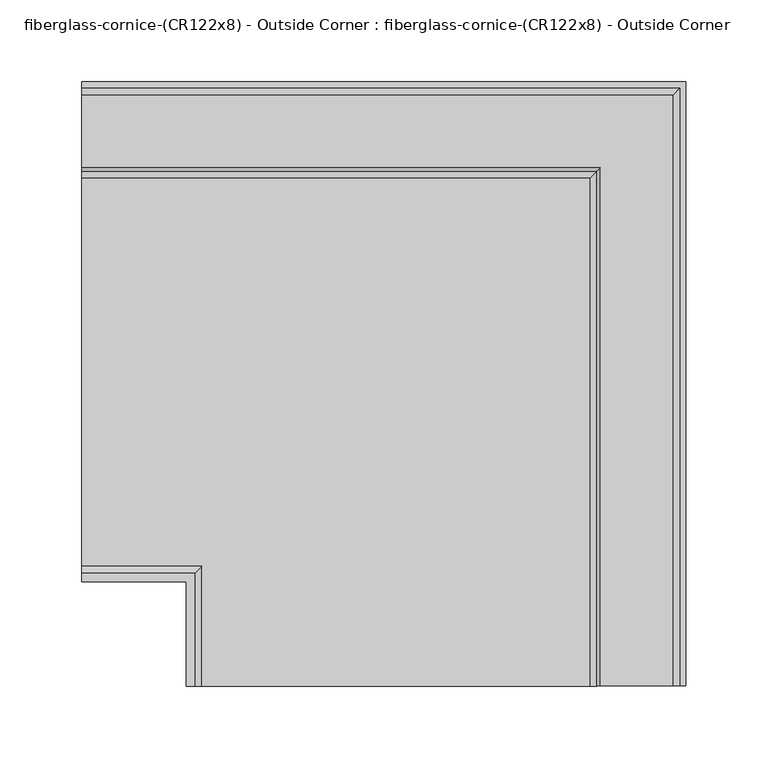
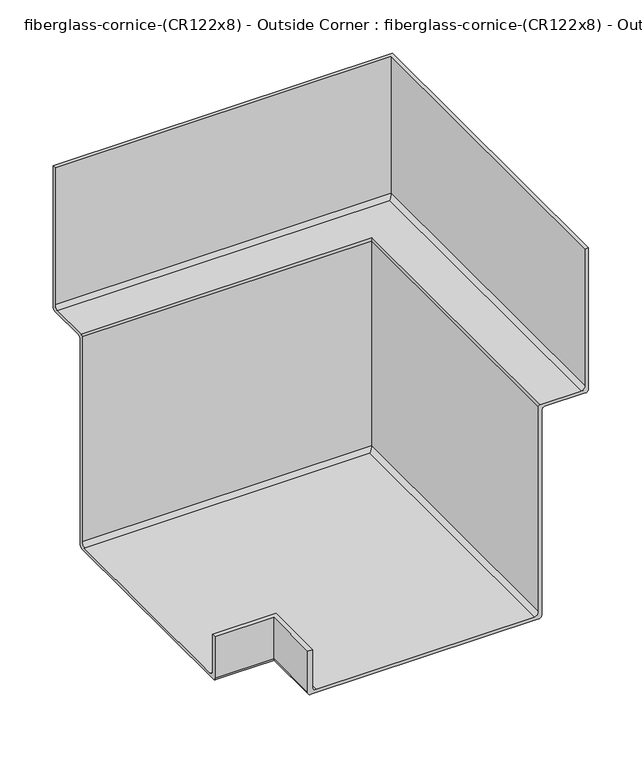
"""IFC4 building model written with IfcOpenShell, lengths in millimetres: furniture geometry, fiberglass-cornice-(CR122x8) - Outside Corner : fiberglass-cornice-(CR122x8) - Outside Corner."""

from ifc_helpers import new_model, si_unit, frame, origin, place, context, project, spatial, polyline, circle_curve, ellipse_curve, source, transform, mapped, element, save
from ifc_brep_helpers import plane_surface, cylinder_surface, revolved_surface, advanced_brep


def fiberglass_cornice_cr122x8_outside_corner_fiberglass_cornice_dbcce0a8(model_context):
    return source(origin(), model_context, "Body", "AdvancedBrep", [
        advanced_brep(
        [(-196.9488213, 402.9075, 330.1999904), (-196.9488213, 406.4, 330.1999904), (-196.9488213, 406.4, 168.2749904), (-196.9488213, 403.225, 165.0999904), (-196.9488213, 358.775, 165.0999904), (-196.9488213, 355.6, 161.9249904), (-196.9488213, 355.6, -73.0250096), (-196.9488213, 352.425, -76.2000096), (-196.9488213, 104.775, -76.2000096), (-196.9488213, 101.6, -73.0250096), (-196.9488213, 101.6, -25.4000096), (-196.9488213, 106.68, -25.4000096), (-196.9488213, 106.68, -68.2625096), (-196.9488213, 111.125, -72.7075096), (-196.9488213, 347.6625, -72.7075096), (-196.9488213, 352.1075, -68.2625096), (-196.9488213, 352.1075, 166.6874904), (-196.9488213, 354.0125, 168.5924904), (-196.9488213, 398.4625, 168.5924904), (-196.9488213, 402.9075, 173.0374904), (167.9578974, 38.0007813, 330.1999904), (167.9578974, 38.0007813, 173.0374904), (163.5128974, 38.0007813, 168.5924904), (119.0628974, 38.0007813, 168.5924904), (117.1578974, 38.0007813, 166.6874904), (117.1578974, 38.0007813, -68.2625096), (112.7128974, 38.0007813, -72.7075096), (-123.8246026, 38.0007813, -72.7075096), (-128.2696026, 38.0007813, -68.2625096), (-128.2696026, 38.0007813, -25.4000096), (-133.3496026, 38.0007813, -25.4000096), (-133.3496026, 38.0007813, -73.0250096), (-130.1746026, 38.0007813, -76.2000096), (117.4753974, 38.0007813, -76.2000096), (120.6503974, 38.0007813, -73.0250096), (120.6503974, 38.0007813, 161.9249904), (123.8253974, 38.0007813, 165.0999904), (168.2753974, 38.0007813, 165.0999904), (171.4503974, 38.0007813, 168.2749904), (171.4503974, 38.0007813, 330.1999904), (167.9578974, 402.9075, 330.1999904), (171.4503974, 406.4, 330.1999904), (171.4503974, 406.4, 168.2749904), (168.2753974, 403.225, 165.0999904), (123.8253974, 358.775, 165.0999904), (120.6503974, 355.6, 161.9249904), (120.6503974, 355.6, -73.0250096), (117.4753974, 352.425, -76.2000096), (-130.1746026, 104.775, -76.2000096), (-133.3496026, 101.6, -73.0250096), (-133.3496026, 101.6, -25.4000096), (-128.2696026, 106.68, -25.4000096), (-128.2696026, 106.68, -68.2625096), (-123.8246026, 111.125, -72.7075096), (112.7128974, 347.6625, -72.7075096), (117.1578974, 352.1075, -68.2625096), (117.1578974, 352.1075, 166.6874904), (119.0628974, 354.0125, 168.5924904), (163.5128974, 398.4625, 168.5924904), (167.9578974, 402.9075, 173.0374904)],
        [
            (0, 1),
            (1, 2),
            (2, 3, circle_curve(frame((-196.9488213, 403.225, 168.2749904), z_axis=(-1.0, 0.0, 0.0), x_axis=(0.0, 1.0, 0.0)), 3.175)),
            (3, 4),
            (4, 5, circle_curve(frame((-196.9488213, 358.775, 161.9249904), z_axis=(1.0, 0.0, 0.0), x_axis=(0.0, 1.0, 0.0)), 3.175)),
            (5, 6),
            (6, 7, circle_curve(frame((-196.9488213, 352.425, -73.0250096), z_axis=(-1.0, 0.0, 0.0), x_axis=(0.0, 1.0, 0.0)), 3.175)),
            (7, 8),
            (8, 9, circle_curve(frame((-196.9488213, 104.775, -73.0250096), z_axis=(-1.0, 0.0, 0.0), x_axis=(0.0, 1.0, 0.0)), 3.175)),
            (9, 10),
            (10, 11),
            (11, 12),
            (12, 13, circle_curve(frame((-196.9488213, 111.125, -68.2625096), z_axis=(1.0, 0.0, 0.0), x_axis=(0.0, 1.0, 0.0)), 4.445)),
            (13, 14),
            (14, 15, circle_curve(frame((-196.9488213, 347.6625, -68.2625096), z_axis=(1.0, 0.0, 0.0), x_axis=(0.0, 1.0, 0.0)), 4.445)),
            (15, 16),
            (16, 17, circle_curve(frame((-196.9488213, 354.0125, 166.6874904), z_axis=(-1.0, 0.0, 0.0), x_axis=(0.0, 1.0, 0.0)), 1.905)),
            (17, 18),
            (18, 19, circle_curve(frame((-196.9488213, 398.4625, 173.0374904), z_axis=(1.0, 0.0, 0.0), x_axis=(0.0, 1.0, 0.0)), 4.445)),
            (19, 0),
            (20, 21),
            (21, 22, circle_curve(frame((163.5128974, 38.0007813, 173.0374904), z_axis=(0.0, 1.0, 0.0), x_axis=(1.0, 0.0, 0.0)), 4.445)),
            (22, 23),
            (23, 24, circle_curve(frame((119.0628974, 38.0007813, 166.6874904), z_axis=(0.0, -1.0, 0.0), x_axis=(1.0, 0.0, 0.0)), 1.905)),
            (24, 25),
            (25, 26, circle_curve(frame((112.7128974, 38.0007813, -68.2625096), z_axis=(0.0, 1.0, 0.0), x_axis=(1.0, 0.0, 0.0)), 4.445)),
            (26, 27),
            (27, 28, circle_curve(frame((-123.8246026, 38.0007813, -68.2625096), z_axis=(0.0, 1.0, 0.0), x_axis=(1.0, 0.0, 0.0)), 4.445)),
            (28, 29),
            (29, 30),
            (30, 31),
            (31, 32, circle_curve(frame((-130.1746026, 38.0007813, -73.0250096), z_axis=(0.0, -1.0, 0.0), x_axis=(1.0, 0.0, 0.0)), 3.175)),
            (32, 33),
            (33, 34, circle_curve(frame((117.4753974, 38.0007813, -73.0250096), z_axis=(0.0, -1.0, 0.0), x_axis=(1.0, 0.0, 0.0)), 3.175)),
            (34, 35),
            (35, 36, circle_curve(frame((123.8253974, 38.0007813, 161.9249904), z_axis=(0.0, 1.0, 0.0), x_axis=(1.0, 0.0, 0.0)), 3.175)),
            (36, 37),
            (37, 38, circle_curve(frame((168.2753974, 38.0007813, 168.2749904), z_axis=(0.0, -1.0, 0.0), x_axis=(1.0, 0.0, 0.0)), 3.175)),
            (38, 39),
            (39, 20),
            (0, 40),
            (40, 20),
            (39, 41),
            (41, 1),
            (41, 42),
            (42, 2),
            (42, 43, ellipse_curve(frame((168.2753974, 403.225, 168.2749904), z_axis=(-0.7071067811865563, 0.7071067811865387, 0.0), x_axis=(-0.7071067811865387, -0.7071067811865565, 0.0)), 4.4901281, 3.175)),
            (43, 3),
            (43, 37),
            (36, 44),
            (44, 4),
            (44, 45, ellipse_curve(frame((123.8253974, 358.775, 161.9249904), z_axis=(0.7071067811865563, -0.7071067811865387, 0.0), x_axis=(0.7071067811865387, 0.7071067811865565, 0.0)), 4.4901281, 3.175)),
            (45, 5),
            (45, 46),
            (46, 6),
            (46, 47, ellipse_curve(frame((117.4753974, 352.425, -73.0250096), z_axis=(-0.7071067811865563, 0.7071067811865387, 0.0), x_axis=(-0.7071067811865387, -0.7071067811865565, 0.0)), 4.4901281, 3.175)),
            (47, 7),
            (47, 33),
            (32, 48),
            (48, 8),
            (48, 49, ellipse_curve(frame((-130.1746026, 104.775, -73.0250096), z_axis=(-0.7071067811865563, 0.7071067811865387, 0.0), x_axis=(-0.7071067811865387, -0.7071067811865565, 0.0)), 4.4901281, 3.175)),
            (49, 9),
            (49, 50),
            (50, 10),
            (50, 30),
            (29, 51),
            (51, 11),
            (51, 52),
            (52, 12),
            (52, 53, ellipse_curve(frame((-123.8246026, 111.125, -68.2625096), z_axis=(0.7071067811865563, -0.7071067811865387, 0.0), x_axis=(0.7071067811865387, 0.7071067811865565, 0.0)), 6.2861793, 4.445)),
            (53, 13),
            (53, 27),
            (26, 54),
            (54, 14),
            (54, 55, ellipse_curve(frame((112.7128974, 347.6625, -68.2625096), z_axis=(0.7071067811865563, -0.7071067811865387, 0.0), x_axis=(0.7071067811865387, 0.7071067811865565, 0.0)), 6.2861793, 4.445)),
            (55, 15),
            (55, 56),
            (56, 16),
            (56, 57, ellipse_curve(frame((119.0628974, 354.0125, 166.6874904), z_axis=(-0.7071067811865563, 0.7071067811865387, 0.0), x_axis=(-0.7071067811865387, -0.7071067811865565, 0.0)), 2.6940768, 1.905)),
            (57, 17),
            (57, 23),
            (22, 58),
            (58, 18),
            (58, 59, ellipse_curve(frame((163.5128974, 398.4625, 173.0374904), z_axis=(0.7071067811865563, -0.7071067811865387, 0.0), x_axis=(0.7071067811865387, 0.7071067811865565, 0.0)), 6.2861793, 4.445)),
            (59, 19),
            (59, 40),
            (38, 42),
            (35, 45),
            (34, 46),
            (31, 49),
            (28, 52),
            (25, 55),
            (24, 56),
            (21, 59),
        ],
        [
            plane_surface(frame((-196.9488213, 101.6, 330.1999904), z_axis=(-1.0, 0.0, 0.0), x_axis=(0.0, 0.0, 1.0))),
            plane_surface(frame((-133.3496026, 38.0007813, 330.1999904), z_axis=(0.0, -1.0, 0.0), x_axis=(0.0, 0.0, 1.0))),
            plane_surface(frame((-196.9488213, 402.9075, 330.1999904), z_axis=(0.0, 0.0, 1.0), x_axis=(1.0, 0.0, 0.0))),
            plane_surface(frame((-196.9488213, 406.4, 330.1999904), z_axis=(0.0, 1.0, 0.0), x_axis=(1.0, 0.0, 0.0))),
            cylinder_surface(frame((-196.9488213, 403.225, 168.2749904), z_axis=(-1.0, 0.0, 0.0), x_axis=(0.0, 1.0, 0.0)), 3.175),
            plane_surface(frame((-196.9488213, 403.225, 165.0999904), z_axis=(0.0, 0.0, -1.0), x_axis=(1.0, 0.0, 0.0))),
            revolved_surface(polyline([(127.00039742790622, 361.95, 161.9249904), (-196.9488213, 361.95, 161.9249904)]), (-196.9488213, 358.775, 161.9249904), (1.0, 0.0, 0.0)),
            plane_surface(frame((-196.9488213, 355.6, 161.9249904), z_axis=(0.0, 1.0, 0.0), x_axis=(1.0, 0.0, 0.0))),
            cylinder_surface(frame((-196.9488213, 352.425, -73.0250096), z_axis=(-1.0, 0.0, 0.0), x_axis=(0.0, 1.0, 0.0)), 3.175),
            plane_surface(frame((-196.9488213, 352.425, -76.2000096), z_axis=(0.0, 0.0, -1.0), x_axis=(1.0, 0.0, 0.0))),
            cylinder_surface(frame((-196.9488213, 104.775, -73.0250096), z_axis=(-1.0, 0.0, 0.0), x_axis=(0.0, 1.0, 0.0)), 3.175),
            plane_surface(frame((-196.9488213, 101.6, -73.0250096), z_axis=(0.0, -1.0, 0.0), x_axis=(1.0, 0.0, 0.0))),
            plane_surface(frame((-196.9488213, 101.6, -25.4000096), z_axis=(0.0, 0.0, 1.0), x_axis=(1.0, 0.0, 0.0))),
            plane_surface(frame((-196.9488213, 106.68, -25.4000096), z_axis=(0.0, 1.0, 0.0), x_axis=(1.0, 0.0, 0.0))),
            revolved_surface(polyline([(-119.37960258921555, 115.57, -68.2625096), (-196.9488213, 115.57, -68.2625096)]), (-196.9488213, 111.125, -68.2625096), (1.0, 0.0, 0.0)),
            plane_surface(frame((-196.9488213, 111.125, -72.7075096), z_axis=(0.0, 0.0, 1.0), x_axis=(1.0, 0.0, 0.0))),
            revolved_surface(polyline([(117.15789741078444, 352.1075, -68.2625096), (-196.9488213, 352.1075, -68.2625096)]), (-196.9488213, 347.6625, -68.2625096), (1.0, 0.0, 0.0)),
            plane_surface(frame((-196.9488213, 352.1075, -68.2625096), z_axis=(0.0, -1.0, 0.0), x_axis=(1.0, 0.0, 0.0))),
            cylinder_surface(frame((-196.9488213, 354.0125, 166.6874904), z_axis=(-1.0, 0.0, 0.0), x_axis=(0.0, 1.0, 0.0)), 1.905),
            plane_surface(frame((-196.9488213, 354.0125, 168.5924904), z_axis=(0.0, 0.0, 1.0), x_axis=(1.0, 0.0, 0.0))),
            revolved_surface(polyline([(167.95789741078445, 402.90749999999997, 173.0374904), (-196.9488213, 402.90749999999997, 173.0374904)]), (-196.9488213, 398.4625, 173.0374904), (1.0, 0.0, 0.0)),
            plane_surface(frame((-196.9488213, 402.9075, 173.0374904), z_axis=(0.0, -1.0, 0.0), x_axis=(1.0, 0.0, 0.0))),
            plane_surface(frame((171.4503974, 406.4, 330.1999904), z_axis=(1.0, 0.0, 0.0), x_axis=(0.0, -1.0, 0.0))),
            cylinder_surface(frame((168.2753974, 101.6, 168.2749904), z_axis=(0.0, 1.0, 0.0), x_axis=(1.0, 0.0, 0.0)), 3.175),
            revolved_surface(polyline([(127.0003974, 38.0007813, 161.9249904), (127.0003974, 361.9500000279063, 161.9249904)]), (123.8253974, 101.6, 161.9249904), (0.0, -1.0, 0.0)),
            plane_surface(frame((120.6503974, 355.6, 161.9249904), z_axis=(1.0, 0.0, 0.0), x_axis=(0.0, -1.0, 0.0))),
            cylinder_surface(frame((117.4753974, 101.6, -73.0250096), z_axis=(0.0, 1.0, 0.0), x_axis=(1.0, 0.0, 0.0)), 3.175),
            cylinder_surface(frame((-130.1746026, 101.6, -73.0250096), z_axis=(0.0, 1.0, 0.0), x_axis=(1.0, 0.0, 0.0)), 3.175),
            plane_surface(frame((-133.3496026, 101.6, -73.0250096), z_axis=(-1.0, 0.0, 0.0), x_axis=(0.0, -1.0, 0.0))),
            plane_surface(frame((-128.2696026, 106.68, -25.4000096), z_axis=(1.0, 0.0, 0.0), x_axis=(0.0, -1.0, 0.0))),
            revolved_surface(polyline([(-119.3796026, 38.0007813, -68.2625096), (-119.3796026, 115.57000001078455, -68.2625096)]), (-123.8246026, 101.6, -68.2625096), (0.0, -1.0, 0.0)),
            revolved_surface(polyline([(117.1578974, 38.0007813, -68.2625096), (117.1578974, 352.1075000107846, -68.2625096)]), (112.7128974, 101.6, -68.2625096), (0.0, -1.0, 0.0)),
            plane_surface(frame((117.1578974, 352.1075, -68.2625096), z_axis=(-1.0, 0.0, 0.0), x_axis=(0.0, -1.0, 0.0))),
            cylinder_surface(frame((119.0628974, 101.6, 166.6874904), z_axis=(0.0, 1.0, 0.0), x_axis=(1.0, 0.0, 0.0)), 1.905),
            revolved_surface(polyline([(167.9578974, 38.0007813, 173.0374904), (167.9578974, 402.9075000107845, 173.0374904)]), (163.5128974, 101.6, 173.0374904), (0.0, -1.0, 0.0)),
            plane_surface(frame((167.9578974, 402.9075, 173.0374904), z_axis=(-1.0, 0.0, 0.0), x_axis=(0.0, -1.0, 0.0))),
        ],
        [
            (0, [[1, 2, 3, 4, 5, 6, 7, 8, 9, 10, 11, 12, 13, 14, 15, 16, 17, 18, 19, 20]]),
            (1, [[21, 22, 23, 24, 25, 26, 27, 28, 29, 30, 31, 32, 33, 34, 35, 36, 37, 38, 39, 40]]),
            (2, [[-1, 41, 42, -40, 43, 44]]),
            (3, [[-2, -44, 45, 46]]),
            (4, [[-3, -46, 47, 48]]),
            (5, [[-4, -48, 49, -37, 50, 51]]),
            (6, [[-5, -51, 52, 53]]),
            (7, [[-6, -53, 54, 55]]),
            (8, [[-7, -55, 56, 57]]),
            (9, [[-8, -57, 58, -33, 59, 60]]),
            (10, [[-9, -60, 61, 62]]),
            (11, [[-10, -62, 63, 64]]),
            (12, [[-11, -64, 65, -30, 66, 67]]),
            (13, [[-12, -67, 68, 69]]),
            (14, [[-13, -69, 70, 71]]),
            (15, [[-14, -71, 72, -27, 73, 74]]),
            (16, [[-15, -74, 75, 76]]),
            (17, [[-16, -76, 77, 78]]),
            (18, [[-17, -78, 79, 80]]),
            (19, [[-18, -80, 81, -23, 82, 83]]),
            (20, [[-19, -83, 84, 85]]),
            (21, [[-20, -85, 86, -41]]),
            (22, [[-45, -43, -39, 87]]),
            (23, [[-47, -87, -38, -49]]),
            (24, [[-52, -50, -36, 88]]),
            (25, [[-54, -88, -35, 89]]),
            (26, [[-56, -89, -34, -58]]),
            (27, [[-61, -59, -32, 90]]),
            (28, [[-63, -90, -31, -65]]),
            (29, [[-68, -66, -29, 91]]),
            (30, [[-70, -91, -28, -72]]),
            (31, [[-75, -73, -26, 92]]),
            (32, [[-77, -92, -25, 93]]),
            (33, [[-79, -93, -24, -81]]),
            (34, [[-84, -82, -22, 94]]),
            (35, [[-86, -94, -21, -42]]),
        ],
    ),
    ])


if __name__ == "__main__":
    model = new_model("IFC4")
    model_context = context("Model", 3, world=origin())
    ifc_project = project(units=[si_unit("LENGTHUNIT", "METRE", prefix="MILLI")], contexts=[model_context])
    site = spatial("IfcSite", under=ifc_project)
    building = spatial("IfcBuilding", under=site)
    placement = place(None, origin())
    fiberglass_cornice_cr122x8_outside_corner_fiberglass_cornice_shape = fiberglass_cornice_cr122x8_outside_corner_fiberglass_cornice_dbcce0a8(model_context)
    element("IfcFurniture", 1, ObjectType="fiberglass-cornice-(CR122x8) - Outside Corner : fiberglass-cornice-(CR122x8) - Outside Corner", at=placement, inside=building, context=model_context, shape_type="MappedRepresentation", body=[
        mapped(fiberglass_cornice_cr122x8_outside_corner_fiberglass_cornice_shape, transform((0.0, 0.0, 0.0), x_axis=(1.0, 0.0, 0.0), y_axis=(0.0, 1.0, 0.0), z_axis=(0.0, 0.0, 1.0))),
    ])
    save(model, "model.ifc")
